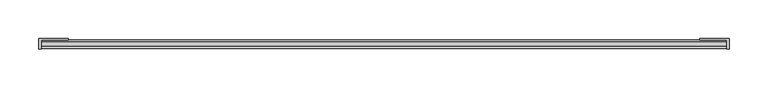
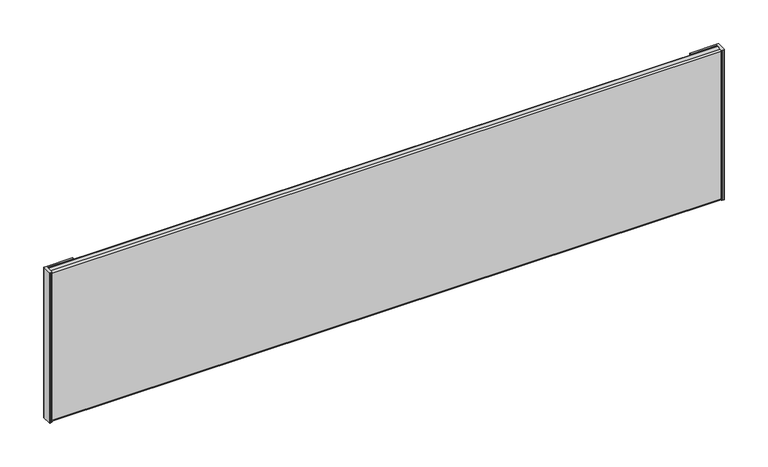
"""IFC4 building model written with IfcOpenShell, lengths in millimetres: furniture geometry."""

from ifc_helpers import new_model, si_unit, point, frame, frame_2d, origin, origin_with_axes, place, context, project, spatial, polyline, circle_curve, trimmed, segment, composite_curve, outline, extrude, source, transform, mapped, element, save


def furniture_aa4af12d(model_context):
    return source(origin(), model_context, "Body", "SweptSolid", [
        extrude(outline(composite_curve([segment(polyline([(864.362, -21.1688864), (864.362, -20.1472124)]), True, "CONTINUOUS"), segment(trimmed(circle_curve(frame_2d((864.8597724, -20.1472124)), 0.4977724), [point((864.362, -20.1472124))], [point((864.8597724, -19.64944))], False, "CARTESIAN"), True, "CONTINUOUS"), segment(polyline([(864.8597724, -19.64944), (901.9354088, -19.64944)]), True, "CONTINUOUS"), segment(trimmed(circle_curve(frame_2d((901.9354088, -20.1760312)), 0.5265912), [point((901.9354088, -19.64944))], [point((902.462, -20.1760312))], False, "CARTESIAN"), True, "CONTINUOUS"), segment(polyline([(902.462, -20.1760312), (902.462, -32.608754)]), True, "CONTINUOUS"), segment(trimmed(circle_curve(frame_2d((901.959403, -32.608754)), 0.502597), [point((902.462, -32.608754))], [point((901.959403, -33.111351))], False, "CARTESIAN"), True, "CONTINUOUS"), segment(polyline([(901.959403, -33.111351), (899.705278, -33.111351)]), True, "CONTINUOUS"), segment(trimmed(circle_curve(frame_2d((899.705278, -32.5151924)), 0.5961586), [point((899.705278, -33.111351))], [point((899.1091194, -32.5151924))], False, "CARTESIAN"), True, "CONTINUOUS"), segment(polyline([(899.1091194, -32.5151924), (899.1091194, -21.68144), (864.8745536, -21.68144)]), True, "CONTINUOUS"), segment(trimmed(circle_curve(frame_2d((864.8745536, -21.1688864)), 0.5125536), [point((864.8745536, -21.68144))], [point((864.362, -21.1688864))], False, "CARTESIAN"), True, "CONTINUOUS")], self_intersect=False)), origin_with_axes(), (0.0, 0.0, 1.0), 209.55),
        extrude(outline(composite_curve([segment(trimmed(circle_curve(frame_2d((49.5254464, -21.1688864)), 0.5125536), [point((50.038, -21.1688864))], [point((49.5254464, -21.68144))], False, "CARTESIAN"), True, "CONTINUOUS"), segment(polyline([(49.5254464, -21.68144), (15.2908806, -21.68144), (15.2908806, -32.5151924)]), True, "CONTINUOUS"), segment(trimmed(circle_curve(frame_2d((14.694722, -32.5151924)), 0.5961586), [point((15.2908806, -32.5151924))], [point((14.694722, -33.111351))], False, "CARTESIAN"), True, "CONTINUOUS"), segment(polyline([(14.694722, -33.111351), (12.440597, -33.111351)]), True, "CONTINUOUS"), segment(trimmed(circle_curve(frame_2d((12.440597, -32.608754)), 0.502597), [point((12.440597, -33.111351))], [point((11.938, -32.608754))], False, "CARTESIAN"), True, "CONTINUOUS"), segment(polyline([(11.938, -32.608754), (11.938, -20.1760312)]), True, "CONTINUOUS"), segment(trimmed(circle_curve(frame_2d((12.4645912, -20.1760312)), 0.5265912), [point((11.938, -20.1760312))], [point((12.4645912, -19.64944))], False, "CARTESIAN"), True, "CONTINUOUS"), segment(polyline([(12.4645912, -19.64944), (49.5402276, -19.64944)]), True, "CONTINUOUS"), segment(trimmed(circle_curve(frame_2d((49.5402276, -20.1472124)), 0.4977724), [point((49.5402276, -19.64944))], [point((50.038, -20.1472124))], False, "CARTESIAN"), True, "CONTINUOUS"), segment(polyline([(50.038, -20.1472124), (50.038, -21.1688864)]), True, "CONTINUOUS")], self_intersect=False)), origin_with_axes(), (0.0, 0.0, 1.0), 209.55),
        extrude(outline(composite_curve([segment(polyline([(-30.2586719, 209.55), (-23.71344, 209.55)]), True, "CONTINUOUS"), segment(trimmed(circle_curve(frame_2d((-23.71344, 207.518)), 2.032), [point((-23.71344, 209.55))], [point((-21.68144, 207.518))], False, "CARTESIAN"), True, "CONTINUOUS"), segment(polyline([(-21.68144, 207.518), (-21.68144, 1.3367102)]), True, "CONTINUOUS"), segment(trimmed(circle_curve(frame_2d((-23.0181502, 1.3367102)), 1.3367102), [point((-21.68144, 1.3367102))], [point((-23.0181502, 0.0))], False, "CARTESIAN"), True, "CONTINUOUS"), segment(polyline([(-23.0181502, 0.0), (-30.2220767, 0.0)]), True, "CONTINUOUS"), segment(trimmed(circle_curve(frame_2d((-30.2220767, 2.0259549)), 2.0259549), [point((-30.2220767, 0.0))], [point((-32.2480316, 2.0259549))], False, "CARTESIAN"), True, "CONTINUOUS"), segment(polyline([(-32.2480316, 2.0259549), (-32.2480316, 207.5606403)]), True, "CONTINUOUS"), segment(trimmed(circle_curve(frame_2d((-30.2586719, 207.5606403)), 1.9893597), [point((-32.2480316, 207.5606403))], [point((-30.2586719, 209.55))], False, "CARTESIAN"), True, "CONTINUOUS")], self_intersect=False)), frame((15.2908806, 0.0, 0.0), z_axis=(1.0, 0.0, 0.0), x_axis=(0.0, 1.0, 0.0)), (0.0, 0.0, 1.0), 883.8182388),
    ])


if __name__ == "__main__":
    model = new_model("IFC4")
    model_context = context("Model", 3, world=origin())
    ifc_project = project(units=[si_unit("LENGTHUNIT", "METRE", prefix="MILLI")], contexts=[model_context])
    site = spatial("IfcSite", under=ifc_project)
    building = spatial("IfcBuilding", under=site)
    placement = place(None, origin())
    furniture_shape = furniture_aa4af12d(model_context)
    element("IfcFurniture", 1, at=placement, inside=building, context=model_context, shape_type="MappedRepresentation", body=[
        mapped(furniture_shape, transform((0.0, 0.0, 0.0), x_axis=(1.0, 0.0, 0.0), y_axis=(0.0, 1.0, 0.0), z_axis=(0.0, 0.0, 1.0))),
    ])
    save(model, "model.ifc")
